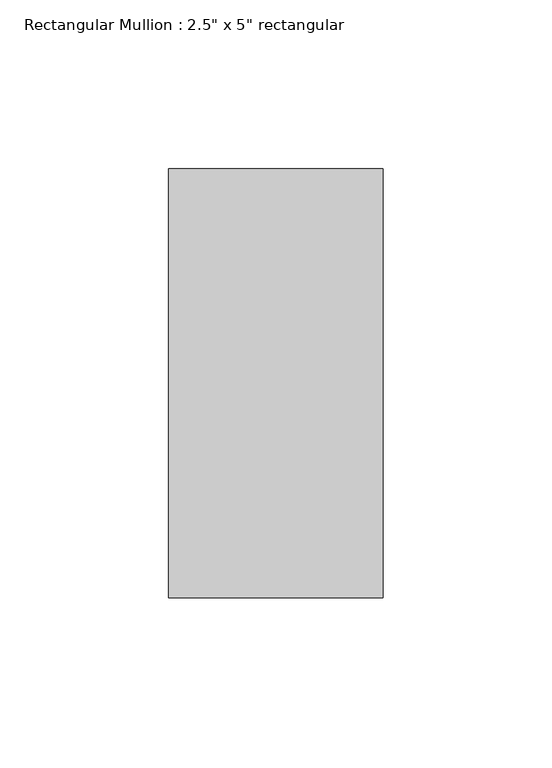
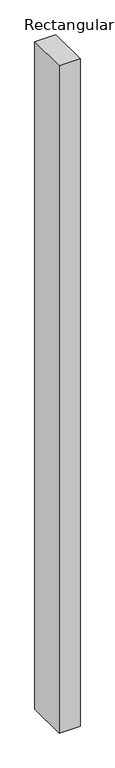
"""IFC4 building model written with IfcOpenShell, lengths in millimetres: member geometry."""

from ifc_helpers import new_model, si_unit, frame, origin, place, context, project, spatial, polyline, outline, extrude, source, transform, mapped, element, save


def member_0094c119(model_context):
    return source(origin(), model_context, "Body", "SweptSolid", [
        extrude(outline(polyline([(0.0, 63.5), (0.0, -63.5), (-63.5, -63.5), (-63.5, 63.5), (0.0, 63.5)])), frame((0.0, 0.0, -2137.7536198), z_axis=(0.0, 0.0, 1.0), x_axis=(1.0, 0.0, 0.0)), (0.0, 0.0, 1.0), 2137.7536198),
    ])


if __name__ == "__main__":
    model = new_model("IFC4")
    model_context = context("Model", 3, world=origin())
    ifc_project = project(units=[si_unit("LENGTHUNIT", "METRE", prefix="MILLI")], contexts=[model_context])
    site = spatial("IfcSite", under=ifc_project)
    building = spatial("IfcBuilding", under=site)
    placement = place(None, origin())
    member_shape = member_0094c119(model_context)
    element("IfcMember", 1, ObjectType="Rectangular Mullion : 2.5\" x 5\" rectangular", at=placement, inside=building, context=model_context, shape_type="MappedRepresentation", body=[
        mapped(member_shape, transform((0.0, 0.0, 0.0), x_axis=(1.0, 0.0, 0.0), y_axis=(0.0, 1.0, 0.0), z_axis=(0.0, 0.0, 1.0))),
    ])
    save(model, "model.ifc")
